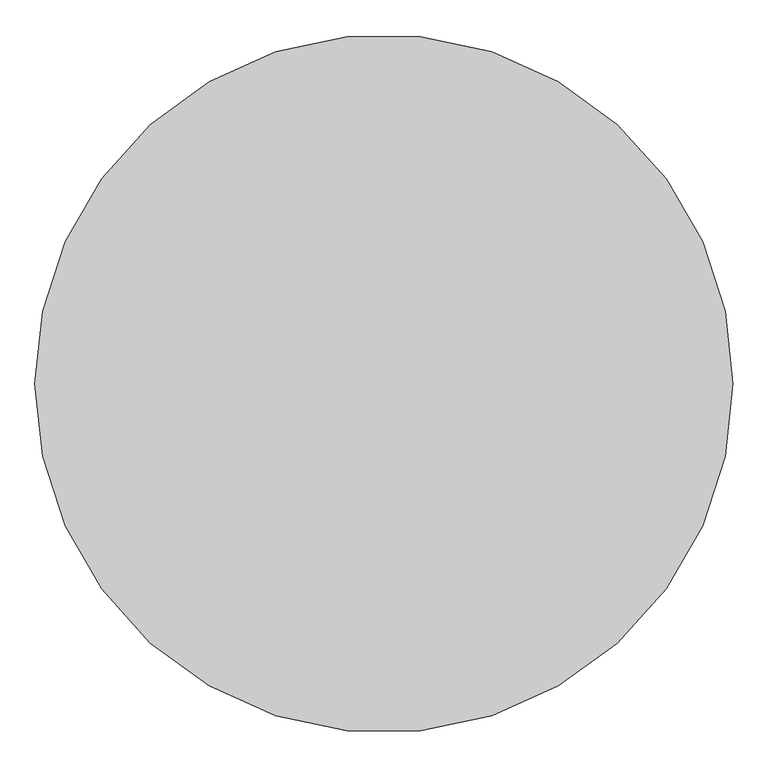
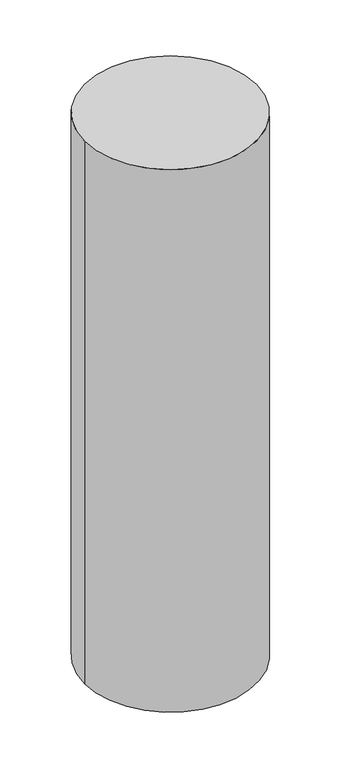
"""IFC4 building model written with IfcOpenShell, lengths in millimetres: proxy geometry."""

from ifc_helpers import new_model, si_unit, point, origin, origin_with_axes, origin_2d, place, context, project, spatial, circle_curve, trimmed, segment, composite_curve, outline, extrude, source, transform, mapped, element, save


def generic_models_8972e32d(model_context):
    return source(origin(), model_context, "Body", "SweptSolid", [
        extrude(outline(composite_curve([segment(trimmed(circle_curve(origin_2d(), 1500.0), [point((-1500.0, 0.0))], [point((1500.0, 0.0))], False, "CARTESIAN"), True, "CONTINUOUS"), segment(trimmed(circle_curve(origin_2d(), 1500.0), [point((1500.0, 0.0))], [point((-1500.0, 0.0))], False, "CARTESIAN"), True, "CONTINUOUS")], self_intersect=False)), origin_with_axes(), (0.0, 0.0, 1.0), 10000.0),
    ])


if __name__ == "__main__":
    model = new_model("IFC4")
    model_context = context("Model", 3, world=origin())
    ifc_project = project(units=[si_unit("LENGTHUNIT", "METRE", prefix="MILLI")], contexts=[model_context])
    site = spatial("IfcSite", under=ifc_project)
    building = spatial("IfcBuilding", under=site)
    placement = place(None, origin())
    generic_models_shape = generic_models_8972e32d(model_context)
    element("IfcBuildingElementProxy", 1, Name="Generic Models", at=placement, inside=building, context=model_context, shape_type="MappedRepresentation", body=[
        mapped(generic_models_shape, transform((0.0, 0.0, 0.0), x_axis=(1.0, 0.0, 0.0), y_axis=(0.0, 1.0, 0.0), z_axis=(0.0, 0.0, 1.0))),
    ])
    save(model, "model.ifc")
